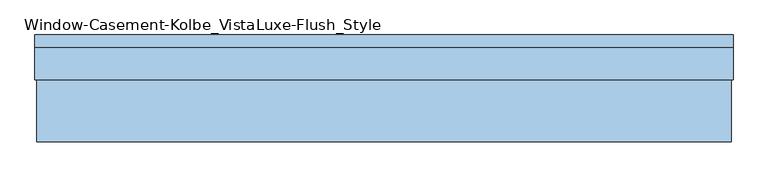
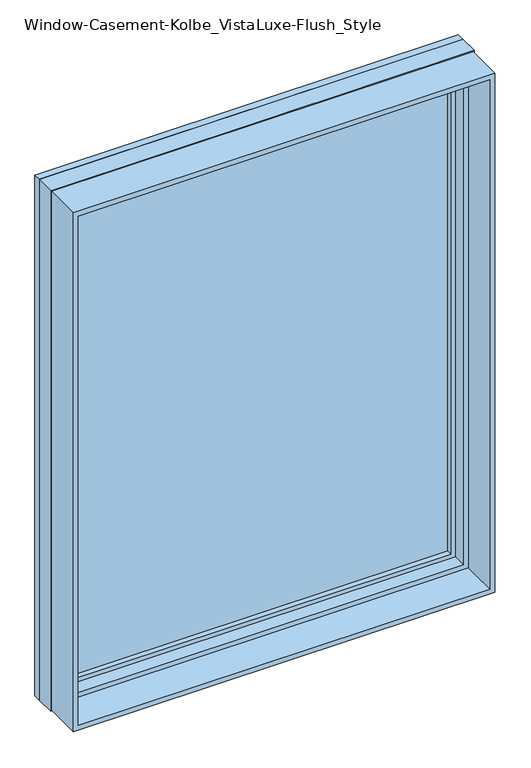
"""IFC4 building model written with IfcOpenShell, lengths in millimetres: window geometry, Window-Casement-Kolbe_VistaLuxe-Flush_Style."""

from ifc_helpers import new_model, si_unit, frame, origin, place, context, project, spatial, polyline, outline, extrude, faceted_brep, source, transform, mapped, element, save


def window_casement_kolbe_vistaluxe_flush_style_e42ff1d2(model_context):
    return source(origin(), model_context, "Body", "SolidModel", [
        faceted_brep([(-711.2696599, 121.37898, 970.676875), (700.1765901, 121.37898, 970.676875), (700.1765901, 129.31648, 970.676875), (-711.2696599, 129.31648, 970.676875), (-727.1446599, 99.12858, 954.801875), (716.0515901, 99.12858, 954.801875), (716.0515901, 121.37898, 954.801875), (-727.1446599, 121.37898, 954.801875), (-711.2696599, 80.10398, 970.676875), (700.1765901, 80.10398, 970.676875), (700.1765901, 99.12858, 970.676875), (-711.2696599, 99.12858, 970.676875), (-755.7196599, 129.31648, 926.226875), (744.6265901, 129.31648, 926.226875), (744.6265901, 80.10398, 926.226875), (-755.7196599, 80.10398, 926.226875), (700.1765901, 121.37898, 2839.323125), (700.1765901, 129.31648, 2839.323125), (716.0515901, 99.12858, 2855.198125), (716.0515901, 121.37898, 2855.198125), (700.1765901, 80.10398, 2839.323125), (700.1765901, 99.12858, 2839.323125), (744.6265901, 129.31648, 2883.773125), (744.6265901, 80.10398, 2883.773125), (-711.2696599, 121.37898, 2839.323125), (-711.2696599, 129.31648, 2839.323125), (-727.1446599, 99.12858, 2855.198125), (-727.1446599, 121.37898, 2855.198125), (-711.2696599, 80.10398, 2839.323125), (-711.2696599, 99.12858, 2839.323125), (-755.7196599, 129.31648, 2883.773125), (-755.7196599, 80.10398, 2883.773125)], [[[0, 1, 2, 3]], [[4, 5, 6, 7]], [[8, 9, 10, 11]], [[12, 13, 14, 15]], [[1, 16, 17, 2]], [[5, 18, 19, 6]], [[9, 20, 21, 10]], [[13, 22, 23, 14]], [[16, 24, 25, 17]], [[18, 26, 27, 19]], [[20, 28, 29, 21]], [[22, 30, 31, 23]], [[24, 0, 3, 25]], [[7, 6, 19, 27], [1, 0, 24, 16]], [[26, 4, 7, 27]], [[5, 4, 26, 18], [11, 10, 21, 29]], [[28, 8, 11, 29]], [[15, 14, 23, 31], [9, 8, 28, 20]], [[30, 12, 15, 31]], [[13, 12, 30, 22], [3, 2, 17, 25]]]),
        extrude(outline(polyline([(2892.0186, -763.9651349), (917.9814, -763.9651349), (917.9814, 752.8720651), (2892.0186, 752.8720651), (2892.0186, -763.9651349)]), holes=[polyline([(936.545625, -745.4009099), (2873.454375, -745.4009099), (2873.454375, 734.3078401), (936.545625, 734.3078401), (936.545625, -745.4009099)])]), frame((0.0, -103.1875, 0.0), z_axis=(0.0, 1.0, 0.0), x_axis=(0.0, 0.0, 1.0)), (0.0, 0.0, 1.0), 135.7122),
        extrude(outline(polyline([(2895.6, 756.4534651), (2895.6, -767.5465349), (914.4, -767.5465349), (914.4, 756.4534651), (2895.6, 756.4534651)]), holes=[polyline([(2883.773125, -755.7196599), (2883.773125, 744.6265901), (926.226875, 744.6265901), (926.226875, -755.7196599), (2883.773125, -755.7196599)])]), frame((0.0, 103.1875, 0.0), z_axis=(0.0, 1.0, 0.0), x_axis=(0.0, 0.0, 1.0)), (0.0, 0.0, 1.0), 26.924),
        faceted_brep([(756.4534651, 32.5247, 914.4), (-767.5465349, 32.5247, 914.4), (-767.5465349, 103.1875, 914.4), (756.4534651, 103.1875, 914.4), (734.3078401, 80.10525, 936.545625), (-745.4009099, 80.10525, 936.545625), (-745.4009099, 32.5247, 936.545625), (734.3078401, 32.5247, 936.545625), (744.6265901, 103.1875, 926.226875), (-755.7196599, 103.1875, 926.226875), (-755.7196599, 80.10525, 926.226875), (744.6265901, 80.10525, 926.226875), (-767.5465349, 32.5247, 2895.6), (-767.5465349, 103.1875, 2895.6), (-745.4009099, 80.10525, 2873.454375), (-745.4009099, 32.5247, 2873.454375), (-755.7196599, 103.1875, 2883.773125), (-755.7196599, 80.10525, 2883.773125), (756.4534651, 32.5247, 2895.6), (756.4534651, 103.1875, 2895.6), (734.3078401, 80.10525, 2873.454375), (734.3078401, 32.5247, 2873.454375), (744.6265901, 103.1875, 2883.773125), (744.6265901, 80.10525, 2883.773125)], [[[0, 1, 2, 3]], [[4, 5, 6, 7]], [[8, 9, 10, 11]], [[1, 12, 13, 2]], [[5, 14, 15, 6]], [[9, 16, 17, 10]], [[12, 18, 19, 13]], [[14, 20, 21, 15]], [[16, 22, 23, 17]], [[18, 0, 3, 19]], [[1, 0, 18, 12], [7, 6, 15, 21]], [[20, 4, 7, 21]], [[11, 10, 17, 23], [5, 4, 20, 14]], [[22, 8, 11, 23]], [[3, 2, 13, 19], [9, 8, 22, 16]]]),
        extrude(outline(polyline([(712.8765901, 102.30358), (712.8765901, 99.12858), (-723.9696599, 99.12858), (-723.9696599, 102.30358), (712.8765901, 102.30358)])), frame((0.0, 0.0, 957.976875), z_axis=(0.0, 0.0, 1.0), x_axis=(1.0, 0.0, 0.0)), (0.0, 0.0, 1.0), 1894.04625),
        extrude(outline(polyline([(712.8765901, 118.20398), (-723.9696599, 118.20398), (-723.9696599, 121.37898), (712.8765901, 121.37898), (712.8765901, 118.20398)])), frame((0.0, 0.0, 957.976875), z_axis=(0.0, 0.0, 1.0), x_axis=(1.0, 0.0, 0.0)), (0.0, 0.0, 1.0), 1894.04625),
        extrude(outline(polyline([(936.545625, -745.4009099), (936.545625, 734.3078401), (2873.454375, 734.3078401), (2873.454375, -745.4009099), (936.545625, -745.4009099)]), holes=[polyline([(954.801875, 716.0515901), (954.801875, -727.1446599), (2855.198125, -727.1446599), (2855.198125, 716.0515901), (954.801875, 716.0515901)])]), frame((0.0, 29.30525, 0.0), z_axis=(0.0, 1.0, 0.0), x_axis=(0.0, 0.0, 1.0)), (0.0, 0.0, 1.0), 50.8),
    ])


if __name__ == "__main__":
    model = new_model("IFC4")
    model_context = context("Model", 3, world=origin())
    ifc_project = project(units=[si_unit("LENGTHUNIT", "METRE", prefix="MILLI")], contexts=[model_context])
    site = spatial("IfcSite", under=ifc_project)
    building = spatial("IfcBuilding", under=site)
    placement = place(None, origin())
    window_casement_kolbe_vistaluxe_flush_style_shape = window_casement_kolbe_vistaluxe_flush_style_e42ff1d2(model_context)
    element("IfcWindow", 1, ObjectType="Window-Casement-Kolbe_VistaLuxe-Flush_Style", at=placement, inside=building, context=model_context, shape_type="MappedRepresentation", body=[
        mapped(window_casement_kolbe_vistaluxe_flush_style_shape, transform((0.0, 0.0, 0.0), x_axis=(1.0, 0.0, 0.0), y_axis=(0.0, 1.0, 0.0), z_axis=(0.0, 0.0, 1.0))),
    ])
    save(model, "model.ifc")
